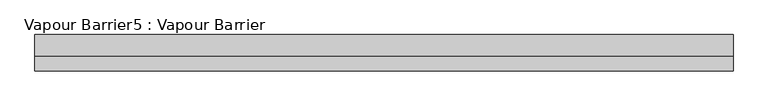
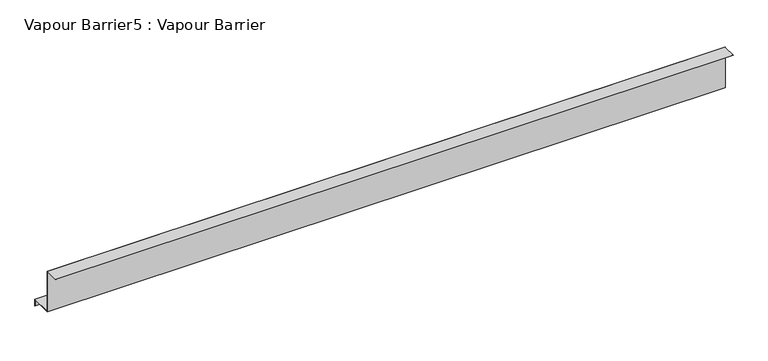
"""IFC4 building model written with IfcOpenShell, lengths in millimetres: proxy geometry, Vapour Barrier5 : Vapour Barrier."""

from ifc_helpers import new_model, si_unit, frame, origin, place, context, project, spatial, polyline, outline, extrude, source, transform, mapped, element, save


def vapour_barrier5_vapour_barrier_0dcd337f(model_context):
    return source(origin(), model_context, "Body", "SweptSolid", [
        extrude(outline(polyline([(-32677.4913223, 1577.2848541), (-32677.4913223, 1425.8881858), (-32602.1455801, 1425.8881858), (-32602.1455801, 1401.6394721), (-32603.1455801, 1401.6394721), (-32603.1455801, 1424.8881858), (-32678.4913223, 1424.8881858), (-32678.4913223, 1576.2848541), (-32727.4913223, 1576.2848541), (-32727.4913223, 1577.2848541), (-32677.4913223, 1577.2848541)])), frame((4287.2859108, 0.0, 0.0), z_axis=(1.0, 0.0, 0.0), x_axis=(0.0, 1.0, 0.0)), (0.0, 0.0, 1.0), 2412.7200833),
    ])


if __name__ == "__main__":
    model = new_model("IFC4")
    model_context = context("Model", 3, world=origin())
    ifc_project = project(units=[si_unit("LENGTHUNIT", "METRE", prefix="MILLI")], contexts=[model_context])
    site = spatial("IfcSite", under=ifc_project)
    building = spatial("IfcBuilding", under=site)
    placement = place(None, origin())
    vapour_barrier5_vapour_barrier_shape = vapour_barrier5_vapour_barrier_0dcd337f(model_context)
    element("IfcBuildingElementProxy", 1, Name="Vapour Barrier5 : Vapour Barrier", ObjectType="Vapour Barrier5 : Vapour Barrier", at=placement, inside=building, context=model_context, shape_type="MappedRepresentation", body=[
        mapped(vapour_barrier5_vapour_barrier_shape, transform((0.0, 0.0, 0.0), x_axis=(1.0, 0.0, 0.0), y_axis=(0.0, 1.0, 0.0), z_axis=(0.0, 0.0, 1.0))),
    ])
    save(model, "model.ifc")
